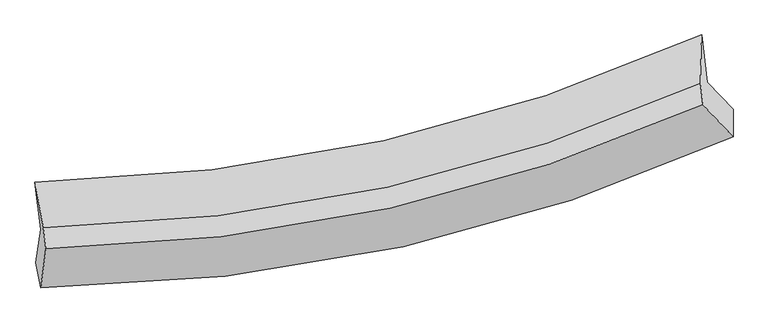
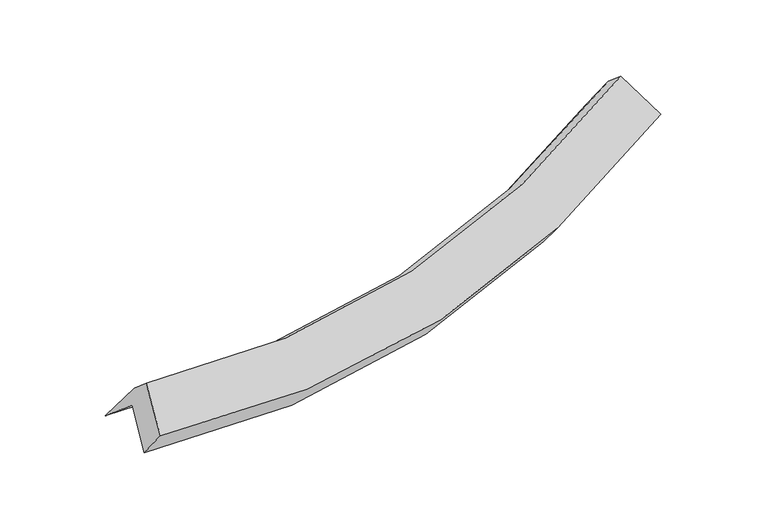
"""IFC4 building model written with IfcOpenShell, lengths in millimetres: proxy geometry."""

from ifc_helpers import new_model, si_unit, frame, origin, place, context, project, spatial, source, transform, mapped, element, save
from ifc_brep_helpers import plane_surface, spline_curve, spline_surface, advanced_brep


def generic_models_1e2c4c3a(model_context):
    return source(origin(), model_context, "Body", "AdvancedBrep", [
        advanced_brep(
        [(-4534.9995044, -2778.0320612, 1189.2117182), (-4471.1137791, -2339.0652863, 1696.1413171), (4249.7559053, -419.3942306, 2688.3016506), (4586.773229, -768.1540313, 2229.7678618), (-4546.4564258, -1723.208127, 1172.3456817), (4173.612444, 203.0088553, 2158.9386076), (-4436.5547343, -2321.2093719, 1956.020718), (4158.3205747, -428.215591, 2933.151032), (-4402.8394597, -2596.8008751, 2190.4153733), (4192.9692036, -711.4364103, 3174.0345336), (-4470.3564557, -3104.0206786, 1651.8433245), (4585.6017194, -1129.3461084, 2653.3358623)],
        [
            (0, 1),
            (1, 2, spline_curve(3, [(-4471.1137791, -2339.0652863, 1696.1413171), (-2896.153816256, -2302.591686857, 1503.892983348), (-1374.392654218, -2120.986813534, 1493.384634328), (1530.235579631, -1474.74456864, 1832.058875532), (2915.430979066, -1016.459089624, 2173.287335542), (4249.7559053, -419.3942306, 2688.3016506)], [4, 2, 4], [0.0, 15.431446577800468, 30.521424636021052])),
            (2, 3),
            (3, 0, spline_curve(3, [(4586.773229, -768.1540313, 2229.7678618), (3192.230411873, -1395.204371833, 1688.159590617), (1743.923983156, -1876.000312959, 1329.542139585), (-1294.206182907, -2552.653679078, 974.314653581), (-2886.49066491, -2741.817081485, 986.08005635), (-4534.9995044, -2778.0320612, 1189.2117182)], [4, 2, 4], [0.0, 15.089978058220584, 30.521424636021052])),
            (1, 4),
            (4, 5, spline_curve(3, [(-4546.4564258, -1723.208127, 1172.3456817), (-2971.105293669, -1689.931977995, 982.816827417), (-1449.2189716, -1509.350176163, 973.178615452), (1455.130682317, -860.830790278, 1309.916114352), (2839.933983056, -399.340264717, 1648.418634945), (4173.612444, 203.0088553, 2158.9386076)], [4, 2, 4], [0.0, 15.08281779037836, 29.831881552188666])),
            (5, 2),
            (4, 6),
            (6, 7, spline_curve(3, [(-4436.5547343, -2321.2093719, 1956.020718), (-2884.478337584, -2289.085298486, 1775.492342384), (-1384.766729359, -2111.903985595, 1769.497728104), (1477.899881687, -1474.557405194, 2102.84657081), (2843.146709727, -1020.740791301, 2434.551290305), (4158.3205747, -428.215591, 2933.151032)], [4, 2, 4], [0.0, 14.972327038812258, 29.613344998930366])),
            (7, 5),
            (6, 8),
            (8, 9, spline_curve(3, [(-4402.8394597, -2596.8008751, 2190.4153733), (-2851.223637742, -2560.912024907, 2006.684999012), (-1351.660210645, -2382.519465049, 1999.660201437), (1511.331190477, -1747.827748968, 2335.267045739), (2877.037318237, -1297.765487443, 2670.16489728), (4192.9692036, -711.4364103, 3174.0345336)], [4, 2, 4], [0.0, 14.86182068071866, 29.3947775779598])),
            (9, 7),
            (8, 10),
            (10, 11, spline_curve(3, [(-4470.3564557, -3104.0206786, 1651.8433245), (-2835.516617384, -3083.85309651, 1447.78442781), (-1255.598125386, -2905.623255663, 1432.232046843), (1760.650882322, -2240.48056153, 1774.313170593), (3199.385115792, -1760.485545345, 2123.696397328), (4585.6017194, -1129.3461084, 2653.3358623)], [4, 2, 4], [0.0, 15.25941974077429, 30.181177588202416])),
            (11, 9),
            (10, 0),
            (3, 11),
        ],
        [
            spline_surface(3, 3, [[(-4534.9995044, -2778.0320612, 1189.2117182), (-2886.490665021, -2741.817081411, 986.080056446), (-1294.206182702, -2552.653679124, 974.314653329), (1743.923982956, -1876.000312915, 1329.542139831), (3192.230411812, -1395.204371872, 1688.159590767), (4586.773229, -768.1540313, 2229.7678618)], [(-4513.704262643, -2631.709802901, 1358.188251177), (-2889.711715454, -2595.408616569, 1158.684365464), (-1320.935006604, -2408.764723961, 1147.337980341), (1672.694515211, -1742.248398066, 1497.047718374), (3099.963934321, -1268.95594448, 1849.868839075), (4474.434121111, -651.900764409, 2382.61245806)], [(-4492.409020857, -2485.387544599, 1527.164784123), (-2892.932765858, -2449.000151725, 1331.28867445), (-1347.663830458, -2264.875768885, 1320.361307372), (1601.465047514, -1608.496483304, 1664.553296935), (3007.697456798, -1142.707517062, 2011.578087405), (4362.095013189, -535.647497491, 2535.45705434)], [(-4471.1137791, -2339.0652863, 1696.1413171), (-2896.153816292, -2302.591686884, 1503.892983468), (-1374.39265436, -2120.986813723, 1493.384634384), (1530.23557977, -1474.744568455, 1832.058875477), (2915.430979306, -1016.45908967, 2173.287335714), (4249.7559053, -419.3942306, 2688.3016506)]], [4, 4], [4, 2, 4], [0.0, 2.2154056613457924], [0.0, 15.431446577800468, 30.521424636021052]),
            spline_surface(3, 3, [[(-4471.1137791, -2339.0652863, 1696.1413171), (-2896.153816292, -2302.591686884, 1503.892983468), (-1374.39265436, -2120.986813723, 1493.384634384), (1530.23557977, -1474.744568455, 1832.058875477), (2915.430979306, -1016.45908967, 2173.287335714), (4249.7559053, -419.3942306, 2688.3016506)], [(-4496.227994655, -2133.779566537, 1521.54277196), (-2921.13764209, -2098.371784008, 1330.200931377), (-1399.334760049, -1917.107934551, 1319.982628004), (1505.200613912, -1270.106642413, 1658.011288492), (2890.265313933, -810.752814742, 1998.331102178), (4224.374751527, -211.926535292, 2511.847302942)], [(-4521.342210245, -1928.493846763, 1346.94422684), (-2946.121467924, -1894.151881122, 1156.508879304), (-1424.276865762, -1713.229055331, 1146.580621641), (1480.165648029, -1065.468716323, 1483.963701524), (2865.099648577, -605.04653984, 1823.374868616), (4198.993597773, -4.458840008, 2335.392955258)], [(-4546.4564258, -1723.208127, 1172.3456817), (-2971.105293722, -1689.931978246, 982.816827213), (-1449.218971451, -1509.350176159, 973.178615261), (1455.130682171, -860.830790281, 1309.916114539), (2839.933983204, -399.340264913, 1648.41863508), (4173.612444, 203.0088553, 2158.9386076)]], [4, 4], [4, 2, 4], [0.0, 2.6505520924967145], [0.0, 15.08281779037836, 29.831881552188666]),
            spline_surface(3, 3, [[(-4546.4564258, -1723.208127, 1172.3456817), (-2971.105293722, -1689.931978246, 982.816827213), (-1449.218971451, -1509.350176159, 973.178615261), (1455.130682171, -860.830790281, 1309.916114539), (2839.933983204, -399.340264913, 1648.41863508), (4173.612444, 203.0088553, 2158.9386076)], [(-4509.822528661, -1922.541875305, 1433.570693814), (-2942.229641646, -1889.649751674, 1247.041998931), (-1427.734890705, -1710.201445916, 1238.61831946), (1462.720415327, -1065.406328622, 1574.226266693), (2841.004892059, -606.473773748, 1910.462853425), (4168.515154249, -7.399293476, 2417.009415729)], [(-4473.188631439, -2121.875623595, 1694.795705886), (-2913.353989487, -2089.367525088, 1511.267170607), (-1406.250810007, -1911.0527157, 1504.058023685), (1470.310148435, -1269.981866989, 1838.536418872), (2842.075800867, -813.607282555, 2172.507071781), (4163.417864451, -217.807442224, 2675.080223871)], [(-4436.5547343, -2321.2093719, 1956.020718), (-2884.478337412, -2289.085298516, 1775.492342325), (-1384.766729261, -2111.903985456, 1769.497727884), (1477.899881591, -1474.55740533, 2102.846571026), (2843.146709723, -1020.74079139, 2434.551290126), (4158.3205747, -428.215591, 2933.151032)]], [4, 4], [4, 2, 4], [0.0, 3.2859409168469282], [0.0, 14.972327038812258, 29.613344998930366]),
            spline_surface(3, 3, [[(-4436.5547343, -2321.2093719, 1956.020718), (-2884.478337412, -2289.085298516, 1775.492342325), (-1384.766729261, -2111.903985456, 1769.497727884), (1477.899881591, -1474.55740533, 2102.846571026), (2843.146709723, -1020.74079139, 2434.551290126), (4158.3205747, -428.215591, 2933.151032)], [(-4425.316309428, -2413.073206298, 2034.152269748), (-2873.393437459, -2379.694207254, 1852.556561213), (-1373.731223089, -2202.109145257, 1846.218552321), (1489.043651244, -1565.647519975, 2180.320062665), (2854.443579179, -1113.082356759, 2513.08915914), (4169.870117638, -522.622530756, 3013.445532521)], [(-4414.077884572, -2504.937040702, 2112.283821552), (-2862.308537522, -2470.303115999, 1929.620780157), (-1362.695716905, -2292.314305002, 1922.939376774), (1500.18742091, -1656.737634564, 2257.793554321), (2865.740448721, -1205.423922159, 2591.627028191), (4181.419660662, -617.029470544, 3093.740033079)], [(-4402.8394597, -2596.8008751, 2190.4153733), (-2851.223637569, -2560.912024737, 2006.684999045), (-1351.660210733, -2382.519464803, 1999.660201211), (1511.331190563, -1747.827749209, 2335.26704596), (2877.037318177, -1297.765487528, 2670.164897205), (4192.9692036, -711.4364103, 3174.0345336)]], [4, 4], [4, 2, 4], [0.0, 1.1762088755624873], [0.0, 14.86182068071866, 29.3947775779598]),
            spline_surface(3, 3, [[(-4402.8394597, -2596.8008751, 2190.4153733), (-2851.223637569, -2560.912024737, 2006.684999045), (-1351.660210733, -2382.519464803, 1999.660201211), (1511.331190563, -1747.827749209, 2335.26704596), (2877.037318177, -1297.765487528, 2670.164897205), (4192.9692036, -711.4364103, 3174.0345336)], [(-4425.345125013, -2765.874142934, 2010.891357034), (-2845.987964085, -2735.225715319, 1820.384808704), (-1319.639515633, -2556.887395147, 1810.517483156), (1594.437754507, -1912.045353231, 2148.282420822), (2984.48658404, -1452.005506741, 2488.008730616), (4323.846708893, -850.739642991, 3000.468309838)], [(-4447.850790387, -2934.947410766, 1831.367340766), (-2840.752290663, -2909.539405901, 1634.08461836), (-1287.618820547, -2731.255325534, 1621.374765024), (1677.544318436, -2076.262957297, 1961.297795607), (3091.935849822, -1606.245525982, 2305.852564012), (4454.724214107, -990.042875709, 2826.902086062)], [(-4470.3564557, -3104.0206786, 1651.8433245), (-2835.516617179, -3083.853096483, 1447.784428019), (-1255.598125446, -2905.623255878, 1432.232046969), (1760.65088238, -2240.480561319, 1774.31317047), (3199.385115685, -1760.485545195, 2123.696397423), (4585.6017194, -1129.3461084, 2653.3358623)]], [4, 4], [4, 2, 4], [0.0, 2.5537953172155836], [0.0, 15.25941974077429, 30.181177588202416]),
            spline_surface(3, 3, [[(-4470.3564557, -3104.0206786, 1651.8433245), (-2835.516617179, -3083.853096483, 1447.784428019), (-1255.598125446, -2905.623255878, 1432.232046969), (1760.65088238, -2240.480561319, 1774.31317047), (3199.385115685, -1760.485545195, 2123.696397423), (4585.6017194, -1129.3461084, 2653.3358623)], [(-4491.9041386, -2995.357806126, 1497.632789066), (-2852.50796646, -2969.841091452, 1293.882970828), (-1268.467477874, -2787.966730311, 1279.592915756), (1755.07524923, -2118.987145202, 1626.056160257), (3197.000214375, -1638.725154097, 1978.51746188), (4585.992222581, -1008.948749377, 2512.146528809)], [(-4513.4518215, -2886.694933674, 1343.422253634), (-2869.499315741, -2855.829086442, 1139.981513637), (-1281.336830274, -2670.310204691, 1126.953784542), (1749.499616106, -1997.493729032, 1477.799150044), (3194.615313122, -1516.96476297, 1833.338526309), (4586.382725819, -888.551390323, 2370.957195291)], [(-4534.9995044, -2778.0320612, 1189.2117182), (-2886.490665021, -2741.817081411, 986.080056446), (-1294.206182702, -2552.653679124, 974.314653329), (1743.923982956, -1876.000312915, 1329.542139831), (3192.230411812, -1395.204371872, 1688.159590767), (4586.773229, -768.1540313, 2229.7678618)]], [4, 4], [4, 2, 4], [0.0, 1.893850158148841], [0.0, 15.718562088642287, 31.089302338335617]),
            plane_surface(frame((4324.5055127, -542.2562527, 2639.588258), z_axis=(0.858149524927823, 0.38947716276050975, 0.3344950411503513), x_axis=(0.5069134705999663, -0.5395479153634798, -0.6722549965238046))),
            plane_surface(frame((-4477.0533932, -2477.0560667, 1642.6630221), z_axis=(-0.991158693716062, -0.008648430147038838, 0.1323995790290188), x_axis=(0.11348305154723258, -0.5722840091739257, 0.8121653833150895))),
        ],
        [
            (0, [[1, 2, 3, 4]]),
            (1, [[5, 6, 7, -2]]),
            (2, [[8, 9, 10, -6]]),
            (3, [[11, 12, 13, -9]]),
            (4, [[14, 15, 16, -12]]),
            (5, [[17, -4, 18, -15]]),
            (6, [[-16, -18, -3, -7, -10, -13]]),
            (7, [[-17, -14, -11, -8, -5, -1]]),
        ],
    ),
    ])


if __name__ == "__main__":
    model = new_model("IFC4")
    model_context = context("Model", 3, world=origin())
    ifc_project = project(units=[si_unit("LENGTHUNIT", "METRE", prefix="MILLI")], contexts=[model_context])
    site = spatial("IfcSite", under=ifc_project)
    building = spatial("IfcBuilding", under=site)
    placement = place(None, origin())
    generic_models_shape = generic_models_1e2c4c3a(model_context)
    element("IfcBuildingElementProxy", 1, Name="Generic Models", at=placement, inside=building, context=model_context, shape_type="MappedRepresentation", body=[
        mapped(generic_models_shape, transform((0.0, 0.0, 0.0), x_axis=(1.0, 0.0, 0.0), y_axis=(0.0, 1.0, 0.0), z_axis=(0.0, 0.0, 1.0))),
    ])
    save(model, "model.ifc")
